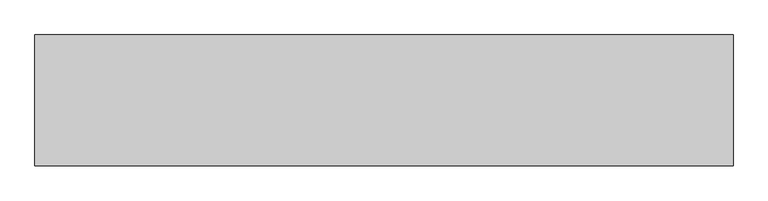
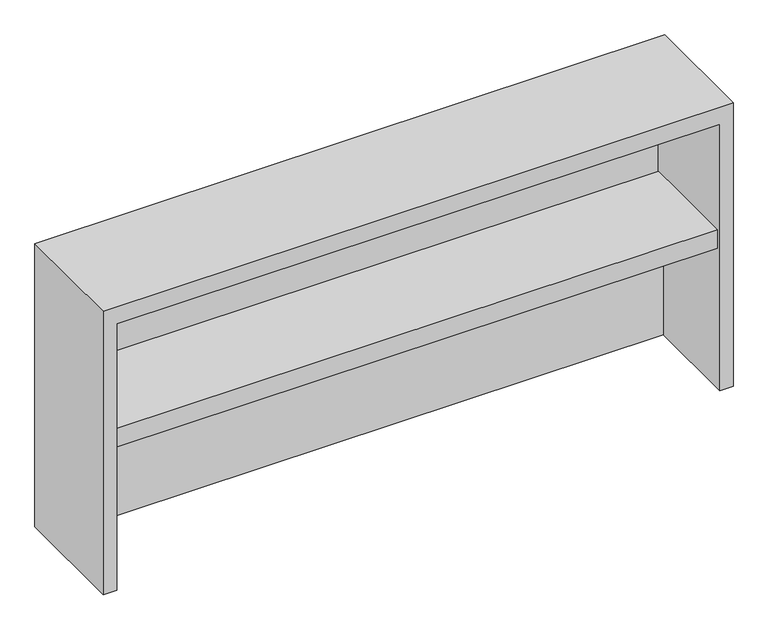
"""IFC4 building model written with IfcOpenShell, lengths in millimetres: furniture geometry."""

from ifc_helpers import new_model, si_unit, frame, origin, place, context, project, spatial, polyline, outline, extrude, faceted_brep, source, transform, mapped, element, save


def furniture_62feb9fd(model_context):
    return source(origin(), model_context, "Body", "SolidModel", [
        faceted_brep([(-596.9, 0.0, 1606.55), (-596.9, -342.9, 1606.55), (1231.9, -342.9, 1606.55), (1231.9, 0.0, 1606.55), (-558.00625, -342.9, 736.6), (-596.9, -342.9, 736.6), (-596.9, 0.0, 736.6), (1231.9, 0.0, 736.6), (1231.9, -342.9, 736.6), (1193.00625, -342.9, 736.6), (1193.00625, -60.325, 736.6), (-558.00625, -60.325, 736.6), (-558.00625, -342.9, 1554.1625), (1193.00625, -342.9, 1554.1625), (-558.00625, -60.325, 1174.75), (-558.00625, -31.75, 1174.75), (-558.00625, -31.75, 1554.1625), (1193.00625, -31.75, 1174.75), (1193.00625, -31.75, 1554.1625), (1193.00625, -60.325, 1174.75)], [[[0, 1, 2, 3]], [[4, 5, 6, 7, 8, 9, 10, 11]], [[6, 0, 3, 7]], [[1, 0, 6, 5]], [[2, 1, 5, 4, 12, 13, 9, 8]], [[4, 11, 14, 15, 16, 12]], [[15, 17, 18, 16]], [[10, 9, 13, 18, 17, 19]], [[3, 2, 8, 7]], [[13, 12, 16, 18]], [[17, 15, 14, 19]], [[11, 10, 19, 14]]]),
        extrude(outline(polyline([(-331.7875, 1223.9625), (-36.5125, 1223.9625), (-36.5125, 1174.75), (-53.975, 1174.75), (-53.975, 1219.2), (-298.45, 1219.2), (-298.45, 1174.75), (-317.5, 1174.75), (-317.5, 1166.8125), (-331.7875, 1166.8125), (-331.7875, 1223.9625)])), frame((-558.00625, 0.0, 0.0), z_axis=(1.0, 0.0, 0.0), x_axis=(0.0, 1.0, 0.0)), (0.0, 0.0, 1.0), 1751.0125),
    ])


if __name__ == "__main__":
    model = new_model("IFC4")
    model_context = context("Model", 3, world=origin())
    ifc_project = project(units=[si_unit("LENGTHUNIT", "METRE", prefix="MILLI")], contexts=[model_context])
    site = spatial("IfcSite", under=ifc_project)
    building = spatial("IfcBuilding", under=site)
    placement = place(None, origin())
    furniture_shape = furniture_62feb9fd(model_context)
    element("IfcFurniture", 1, at=placement, inside=building, context=model_context, shape_type="MappedRepresentation", body=[
        mapped(furniture_shape, transform((0.0, 0.0, 0.0), x_axis=(1.0, 0.0, 0.0), y_axis=(0.0, 1.0, 0.0), z_axis=(0.0, 0.0, 1.0))),
    ])
    save(model, "model.ifc")
